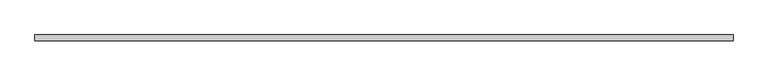
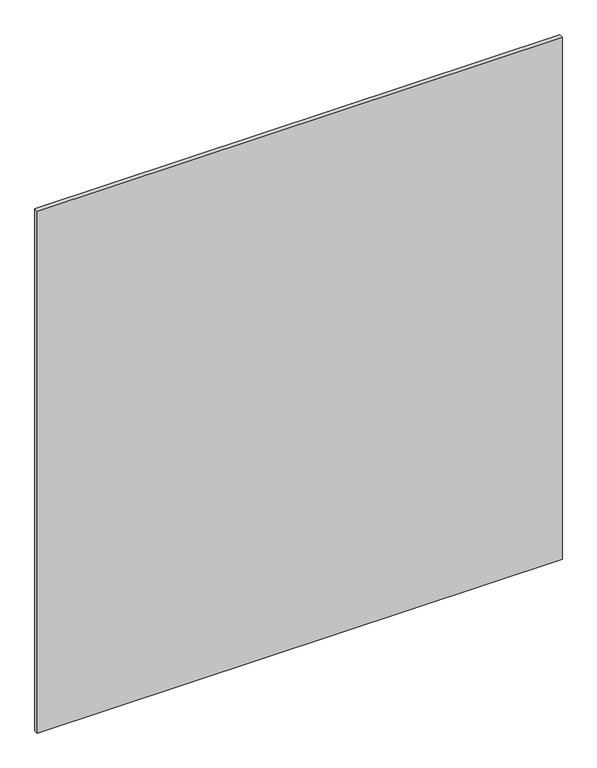
"""IFC4 building model written with IfcOpenShell, lengths in millimetres: plate geometry."""

from ifc_helpers import new_model, si_unit, origin, origin_with_axes, place, context, project, spatial, polyline, outline, extrude, source, transform, mapped, element, save


def plate_c6fc652f(model_context):
    return source(origin(), model_context, "Body", "SweptSolid", [
        extrude(outline(polyline([(616.6, 5.0), (616.6, -5.0), (-616.6, -5.0), (-616.6, 5.0), (616.6, 5.0)])), origin_with_axes(), (0.0, 0.0, 1.0), 1295.5),
    ])


if __name__ == "__main__":
    model = new_model("IFC4")
    model_context = context("Model", 3, world=origin())
    ifc_project = project(units=[si_unit("LENGTHUNIT", "METRE", prefix="MILLI")], contexts=[model_context])
    site = spatial("IfcSite", under=ifc_project)
    building = spatial("IfcBuilding", under=site)
    placement = place(None, origin())
    plate_shape = plate_c6fc652f(model_context)
    element("IfcPlate", 1, at=placement, inside=building, context=model_context, shape_type="MappedRepresentation", body=[
        mapped(plate_shape, transform((0.0, 0.0, 0.0), x_axis=(1.0, 0.0, 0.0), y_axis=(0.0, 1.0, 0.0), z_axis=(0.0, 0.0, 1.0))),
    ])
    save(model, "model.ifc")
